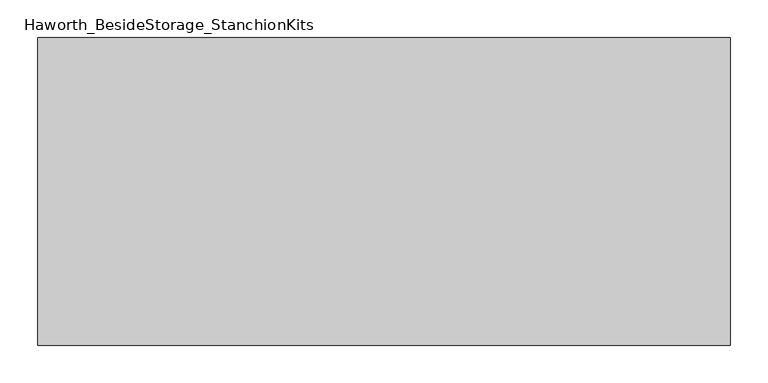
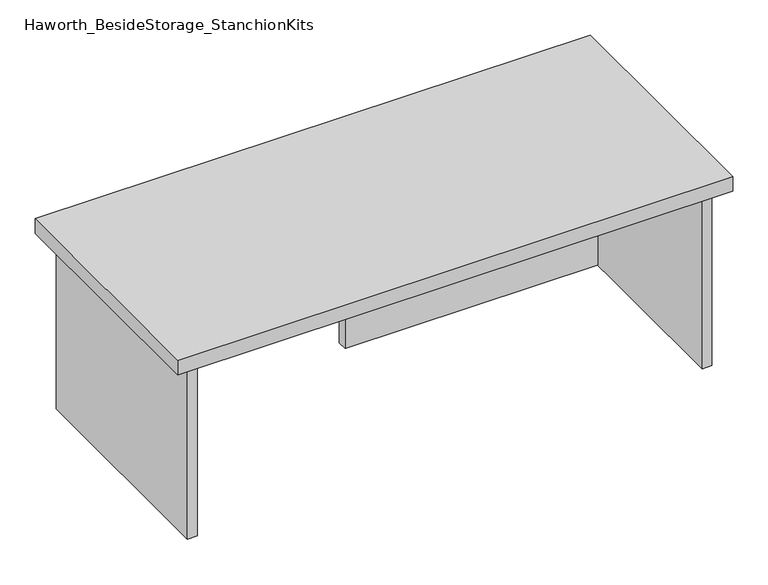
"""IFC4 building model written with IfcOpenShell, lengths in millimetres: furniture geometry, Haworth_BesideStorage_StanchionKits."""

from ifc_helpers import new_model, si_unit, frame, origin, place, context, project, spatial, polyline, outline, extrude, source, transform, mapped, element, save


def haworth_besidestorage_stanchionkits_cd8f2605(model_context):
    return source(origin(), model_context, "Body", "SweptSolid", [
        extrude(outline(polyline([(619.125, 0.0), (619.125, -406.4), (-295.275, -406.4), (-295.275, 0.0), (619.125, 0.0)])), frame((0.0, 0.0, 736.6), z_axis=(0.0, 0.0, 1.0), x_axis=(1.0, 0.0, 0.0)), (0.0, 0.0, 1.0), 25.4),
        extrude(outline(polyline([(161.925, -76.2), (577.85, -76.2), (577.85, -92.075), (161.925, -92.075), (161.925, -76.2)])), frame((0.0, 0.0, 431.8), z_axis=(0.0, 0.0, 1.0), x_axis=(1.0, 0.0, 0.0)), (0.0, 0.0, 1.0), 304.8),
        extrude(outline(polyline([(593.725, -390.525), (577.85, -390.525), (577.85, -15.875), (593.725, -15.875), (593.725, -390.525)])), frame((0.0, 0.0, 431.8), z_axis=(0.0, 0.0, 1.0), x_axis=(1.0, 0.0, 0.0)), (0.0, 0.0, 1.0), 304.8),
        extrude(outline(polyline([(-254.0, -390.525), (-269.875, -390.525), (-269.875, -15.875), (-254.0, -15.875), (-254.0, -390.525)])), frame((0.0, 0.0, 431.8), z_axis=(0.0, 0.0, 1.0), x_axis=(1.0, 0.0, 0.0)), (0.0, 0.0, 1.0), 304.8),
    ])


if __name__ == "__main__":
    model = new_model("IFC4")
    model_context = context("Model", 3, world=origin())
    ifc_project = project(units=[si_unit("LENGTHUNIT", "METRE", prefix="MILLI")], contexts=[model_context])
    site = spatial("IfcSite", under=ifc_project)
    building = spatial("IfcBuilding", under=site)
    placement = place(None, origin())
    haworth_besidestorage_stanchionkits_shape = haworth_besidestorage_stanchionkits_cd8f2605(model_context)
    element("IfcFurniture", 1, ObjectType="Haworth_BesideStorage_StanchionKits", at=placement, inside=building, context=model_context, shape_type="MappedRepresentation", body=[
        mapped(haworth_besidestorage_stanchionkits_shape, transform((0.0, 0.0, 0.0), x_axis=(1.0, 0.0, 0.0), y_axis=(0.0, 1.0, 0.0), z_axis=(0.0, 0.0, 1.0))),
    ])
    save(model, "model.ifc")
